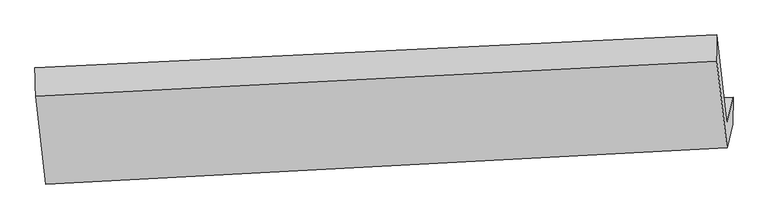
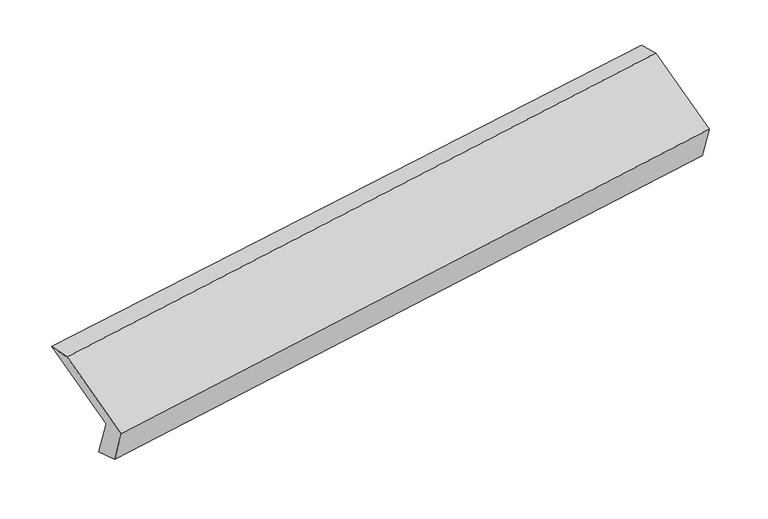
"""IFC4 building model written with IfcOpenShell, lengths in millimetres: proxy geometry."""

from ifc_helpers import new_model, si_unit, frame, origin, place, context, project, spatial, source, transform, mapped, element, save
from ifc_brep_helpers import plane_surface, spline_surface, advanced_brep


def generic_models_1825488e(model_context):
    return source(origin(), model_context, "Body", "AdvancedBrep", [
        advanced_brep(
        [(-5172.9660505, -1609.6634633, 1224.5128596), (-5216.0428212, -1783.880245, 1576.5249003), (-488.6842539, -1556.3138237, 2267.6524832), (-445.6074832, -1382.097042, 1915.6404425), (-5172.5501248, -1825.6025775, 1292.7698107), (-447.24777, -1568.2563814, 1988.1564873), (-5211.2660124, -1982.1824977, 1609.1458609), (-487.483258, -1730.9820707, 2316.9503122), (-5283.2517469, -1374.0713919, 1901.301341), (-558.433097, -1131.6218599, 2604.9015903), (-5288.0285558, -1175.7691392, 1868.6803804), (-560.6699885, -948.2027179, 2559.8079633)],
        [
            (0, 1),
            (1, 2),
            (2, 3),
            (3, 0),
            (4, 0),
            (3, 5),
            (5, 4),
            (6, 4),
            (5, 7),
            (7, 6),
            (8, 6),
            (7, 9),
            (9, 8),
            (10, 8),
            (9, 11),
            (11, 10),
            (1, 10),
            (11, 2),
        ],
        [
            plane_surface(frame((-5194.5044359, -1696.7718542, 1400.51888), z_axis=(-0.10609844619212935, 0.8962837408799722, 0.43060257262331697), x_axis=(-0.10902207988733066, -0.44092153495722264, 0.8908997620989734))),
            spline_surface(1, 1, [[(-5172.5501248, -1825.6025775, 1292.7698107), (-447.24777, -1568.2563814, 1988.1564873)], [(-5172.9660505, -1609.6634633, 1224.5128596), (-445.6074832, -1382.097042, 1915.6404425)]], [2, 2], [2, 2], [0.0, 1.0], [0.0, 1.0]),
            plane_surface(frame((-5191.9080686, -1903.8925376, 1450.9578358), z_axis=(0.1120359068981724, -0.8959816467194303, -0.4297264761536601), x_axis=(0.10902207988735235, 0.440921534957221, -0.8908997620989715))),
            plane_surface(frame((-5247.2588796, -1678.1269448, 1755.223601), z_axis=(-0.11001937151873792, -0.44096932094191177, 0.8907534989426935), x_axis=(0.10609844619213195, -0.8962837408799719, -0.4306025726233167))),
            spline_surface(1, 1, [[(-5288.0285558, -1175.7691392, 1868.6803804), (-560.6699885, -948.2027179, 2559.8079633)], [(-5283.2517469, -1374.0713919, 1901.301341), (-558.433097, -1131.6218599, 2604.9015903)]], [2, 2], [2, 2], [0.0, 1.0], [0.0, 1.0]),
            plane_surface(frame((-5252.0356885, -1479.8246921, 1722.6026403), z_axis=(0.10902207988735077, 0.44092153495722025, -0.890899762098972), x_axis=(-0.10609844619213135, 0.8962837408799736, 0.43060257262331325))),
            plane_surface(frame((-498.0209751, -1386.2456493, 2275.5182131), z_axis=(0.9883609188007443, 0.047577892399402195, 0.14449580735156228), x_axis=(0.10609844619213195, -0.8962837408799719, -0.4306025726233167))),
            plane_surface(frame((-5224.0175519, -1625.1948858, 1578.8225255), z_axis=(-0.988360918800746, -0.047577892399392384, -0.14449580735155332), x_axis=(0.10902207988734951, 0.440921534957213, -0.8908997620989758))),
        ],
        [
            (0, [[1, 2, 3, 4]]),
            (1, [[5, -4, 6, 7]]),
            (2, [[8, -7, 9, 10]]),
            (3, [[11, -10, 12, 13]]),
            (4, [[14, -13, 15, 16]]),
            (5, [[17, -16, 18, -2]]),
            (6, [[-12, -9, -6, -3, -18, -15]]),
            (7, [[-1, -5, -8, -11, -14, -17]]),
        ],
    ),
    ])


if __name__ == "__main__":
    model = new_model("IFC4")
    model_context = context("Model", 3, world=origin())
    ifc_project = project(units=[si_unit("LENGTHUNIT", "METRE", prefix="MILLI")], contexts=[model_context])
    site = spatial("IfcSite", under=ifc_project)
    building = spatial("IfcBuilding", under=site)
    placement = place(None, origin())
    generic_models_shape = generic_models_1825488e(model_context)
    element("IfcBuildingElementProxy", 1, Name="Generic Models", at=placement, inside=building, context=model_context, shape_type="MappedRepresentation", body=[
        mapped(generic_models_shape, transform((0.0, 0.0, 0.0), x_axis=(1.0, 0.0, 0.0), y_axis=(0.0, 1.0, 0.0), z_axis=(0.0, 0.0, 1.0))),
    ])
    save(model, "model.ifc")
